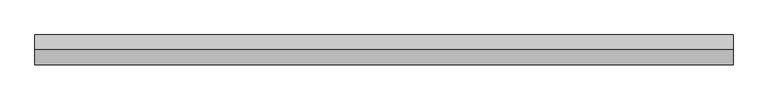
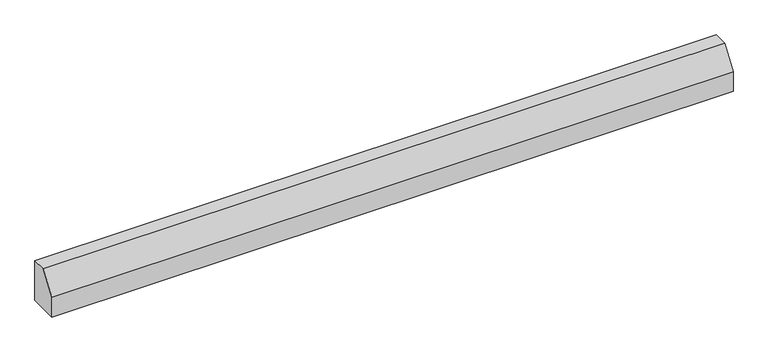
"""IFC4 building model written with IfcOpenShell, lengths in millimetres: proxy geometry."""

from ifc_helpers import new_model, si_unit, frame, origin, place, context, project, spatial, polyline, outline, extrude, source, transform, mapped, element, save


def generic_models_2b3db691(model_context):
    return source(origin(), model_context, "Body", "SweptSolid", [
        extrude(outline(polyline([(-620.0, 8500.0), (-270.0, 8500.0), (-270.0, 7500.0), (-970.0, 7500.0), (-970.0, 8000.0), (-620.0, 8500.0)])), frame((-43575.4548952, 0.0, 0.0), z_axis=(1.0, 0.0, 0.0), x_axis=(0.0, 1.0, 0.0)), (0.0, 0.0, 1.0), 16245.4548952),
    ])


if __name__ == "__main__":
    model = new_model("IFC4")
    model_context = context("Model", 3, world=origin())
    ifc_project = project(units=[si_unit("LENGTHUNIT", "METRE", prefix="MILLI")], contexts=[model_context])
    site = spatial("IfcSite", under=ifc_project)
    building = spatial("IfcBuilding", under=site)
    placement = place(None, origin())
    generic_models_shape = generic_models_2b3db691(model_context)
    element("IfcBuildingElementProxy", 1, Name="Generic Models", at=placement, inside=building, context=model_context, shape_type="MappedRepresentation", body=[
        mapped(generic_models_shape, transform((0.0, 0.0, 0.0), x_axis=(1.0, 0.0, 0.0), y_axis=(0.0, 1.0, 0.0), z_axis=(0.0, 0.0, 1.0))),
    ])
    save(model, "model.ifc")
